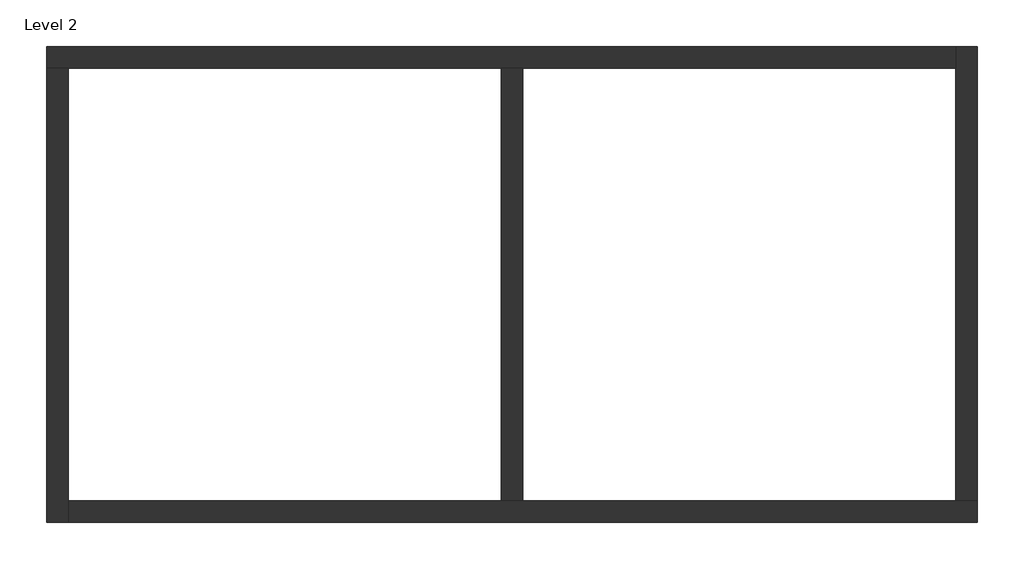
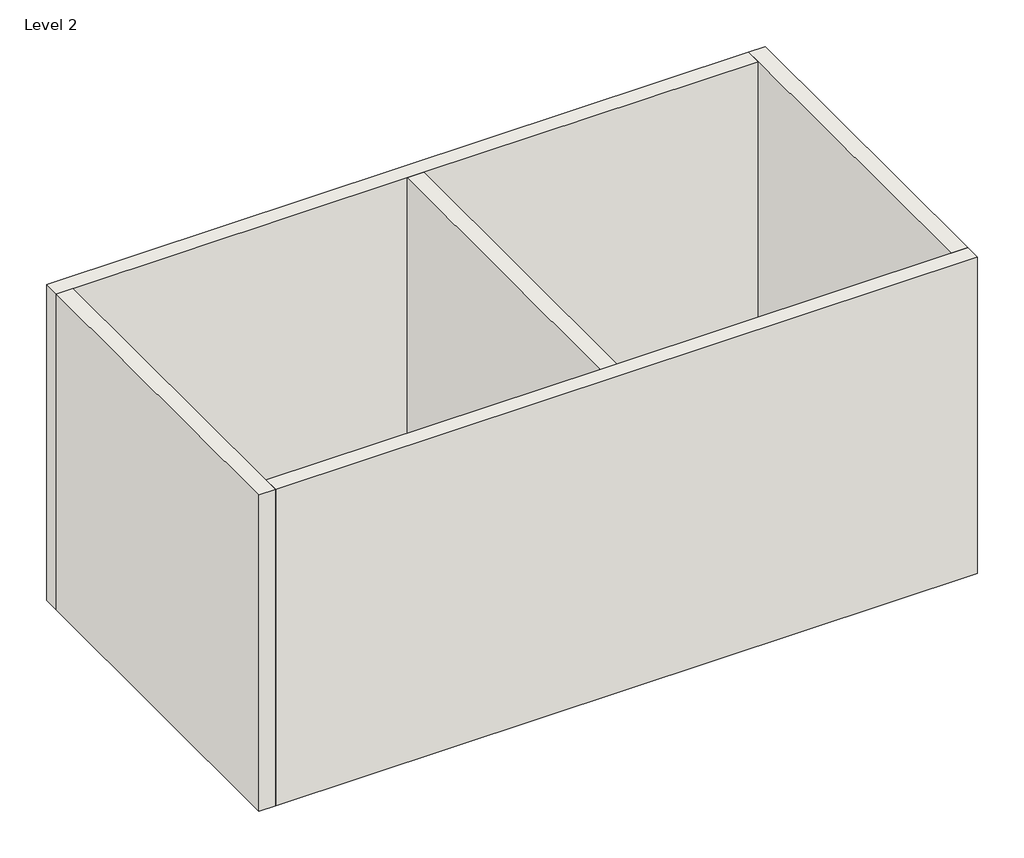
# One storey: 5 walls.
"""IFC4 building model written with IfcOpenShell, lengths in millimetres."""

from ifc_helpers import new_model, si_unit, frame, origin, place, context, project, spatial, polyline, outline, extrude, faceted_brep, element, save

model = new_model("IFC4")

# Units and contexts
model_context = context("Model", 3, world=origin())
ifc_project = project(units=[si_unit("LENGTHUNIT", "METRE", prefix="MILLI")], contexts=[model_context])

# Site, building, storey
site = spatial("IfcSite", under=ifc_project)
building = spatial("IfcBuilding", under=site)
storey = spatial("IfcBuildingStorey", under=building, Name="Level 2", Elevation=4000.0)

# Walls
placement = place(None, origin())
element("IfcWall", 1, ObjectType="Generic - 200mm", at=placement, inside=storey, context=model_context, shape_type="Brep", body=[
    faceted_brep([(-10559.2333286, -1038.4540175, 4000.0), (-10359.2333286, -1038.4540175, 4000.0), (-6359.2333286, -1038.4540175, 4000.0), (-6159.2333286, -1038.4540175, 4000.0), (-2159.2333286, -1038.4540175, 4000.0), (-2159.2333286, -1038.4540175, 8000.0), (-6159.2333286, -1038.4540175, 8000.0), (-6359.2333286, -1038.4540175, 8000.0), (-10359.2333286, -1038.4540175, 8000.0), (-10559.2333286, -1038.4540175, 8000.0), (-10559.2333286, -838.4540175, 4000.0), (-10559.2333286, -838.4540175, 8000.0), (-2159.2333286, -838.4540175, 8000.0), (-2159.2333286, -838.4540175, 4000.0)], [[[0, 1, 2, 3, 4, 5, 6, 7, 8, 9]], [[10, 11, 12, 13]], [[4, 3, 2, 1, 0, 10, 13]], [[9, 8, 7, 6, 5, 12, 11]], [[0, 9, 11, 10]], [[5, 4, 13, 12]]]),
])
element("IfcWall", 2, ObjectType="Generic - 200mm", at=placement, inside=storey, context=model_context, shape_type="Brep", body=[
    faceted_brep([(-10359.2333286, -5238.4540175, 4000.0), (-10359.2333286, -5038.4540175, 4000.0), (-10359.2333286, -1038.4540175, 4000.0), (-10359.2333286, -1038.4540175, 8000.0), (-10359.2333286, -5038.4540175, 8000.0), (-10359.2333286, -5238.4540175, 8000.0), (-10559.2333286, -5238.4540175, 4000.0), (-10559.2333286, -5238.4540175, 8000.0), (-10559.2333286, -1038.4540175, 8000.0), (-10559.2333286, -1038.4540175, 4000.0)], [[[0, 1, 2, 3, 4, 5]], [[6, 7, 8, 9]], [[2, 1, 0, 6, 9]], [[5, 4, 3, 8, 7]], [[0, 5, 7, 6]], [[3, 2, 9, 8]]]),
])
element("IfcWall", 3, ObjectType="Generic - 200mm", at=placement, inside=storey, context=model_context, shape_type="Brep", body=[
    faceted_brep([(-1959.2333286, -5038.4540175, 4000.0), (-2159.2333286, -5038.4540175, 4000.0), (-6159.2333286, -5038.4540175, 4000.0), (-6359.2333286, -5038.4540175, 4000.0), (-10359.2333286, -5038.4540175, 4000.0), (-10359.2333286, -5038.4540175, 8000.0), (-6359.2333286, -5038.4540175, 8000.0), (-6159.2333286, -5038.4540175, 8000.0), (-2159.2333286, -5038.4540175, 8000.0), (-1959.2333286, -5038.4540175, 8000.0), (-1959.2333286, -5238.4540175, 4000.0), (-1959.2333286, -5238.4540175, 8000.0), (-10359.2333286, -5238.4540175, 8000.0), (-10359.2333286, -5238.4540175, 4000.0)], [[[0, 1, 2, 3, 4, 5, 6, 7, 8, 9]], [[10, 11, 12, 13]], [[4, 3, 2, 1, 0, 10, 13]], [[9, 8, 7, 6, 5, 12, 11]], [[0, 9, 11, 10]], [[5, 4, 13, 12]]]),
])
element("IfcWall", 4, ObjectType="Generic - 200mm", at=placement, inside=storey, context=model_context, shape_type="Brep", body=[
    faceted_brep([(-2159.2333286, -838.4540175, 4000.0), (-2159.2333286, -1038.4540175, 4000.0), (-2159.2333286, -5038.4540175, 4000.0), (-2159.2333286, -5038.4540175, 8000.0), (-2159.2333286, -1038.4540175, 8000.0), (-2159.2333286, -838.4540175, 8000.0), (-1959.2333286, -838.4540175, 4000.0), (-1959.2333286, -838.4540175, 8000.0), (-1959.2333286, -5038.4540175, 8000.0), (-1959.2333286, -5038.4540175, 4000.0)], [[[0, 1, 2, 3, 4, 5]], [[6, 7, 8, 9]], [[2, 1, 0, 6, 9]], [[5, 4, 3, 8, 7]], [[0, 5, 7, 6]], [[3, 2, 9, 8]]]),
])
element("IfcWall", 5, ObjectType="Generic - 200mm", at=placement, inside=storey, context=model_context, shape_type="SweptSolid", body=[
    extrude(outline(polyline([(-6359.2333286, -5038.4540175), (-6359.2333286, -1038.4540175), (-6159.2333286, -1038.4540175), (-6159.2333286, -5038.4540175), (-6359.2333286, -5038.4540175)])), frame((0.0, 0.0, 4000.0), z_axis=(0.0, 0.0, 1.0), x_axis=(1.0, 0.0, 0.0)), (0.0, 0.0, 1.0), 4000.0),
])

save(model, "model.ifc")
